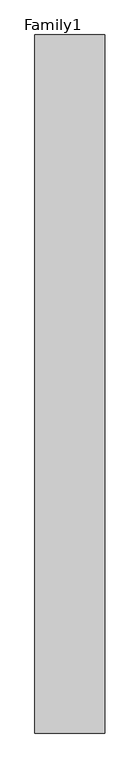
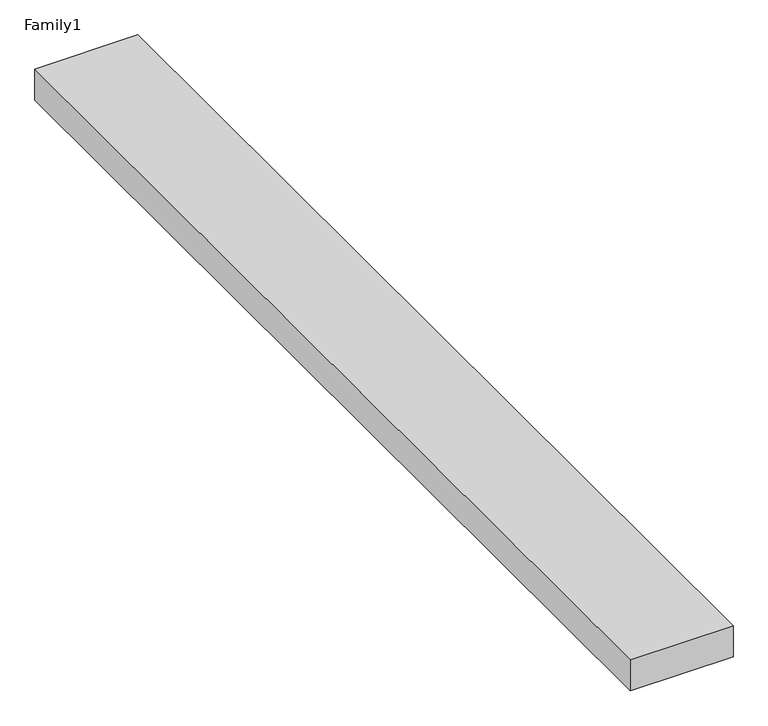
"""IFC4 building model written with IfcOpenShell, lengths in millimetres: proxy geometry, Family1."""

from ifc_helpers import new_model, si_unit, origin, origin_with_axes, place, context, project, spatial, polyline, outline, extrude, source, transform, mapped, element, save


def family1_608e45cc(model_context):
    return source(origin(), model_context, "Body", "SweptSolid", [
        extrude(outline(polyline([(5000.0, 0.0), (0.0, 0.0), (0.0, 50000.0), (5000.0, 50000.0), (5000.0, 0.0)])), origin_with_axes(), (0.0, 0.0, 1.0), 1589.0),
    ])


if __name__ == "__main__":
    model = new_model("IFC4")
    model_context = context("Model", 3, world=origin())
    ifc_project = project(units=[si_unit("LENGTHUNIT", "METRE", prefix="MILLI")], contexts=[model_context])
    site = spatial("IfcSite", under=ifc_project)
    building = spatial("IfcBuilding", under=site)
    placement = place(None, origin())
    family1_shape = family1_608e45cc(model_context)
    element("IfcBuildingElementProxy", 1, Name="Family1", ObjectType="Family1", at=placement, inside=building, context=model_context, shape_type="MappedRepresentation", body=[
        mapped(family1_shape, transform((0.0, 0.0, 0.0), x_axis=(1.0, 0.0, 0.0), y_axis=(0.0, 1.0, 0.0), z_axis=(0.0, 0.0, 1.0))),
    ])
    save(model, "model.ifc")
